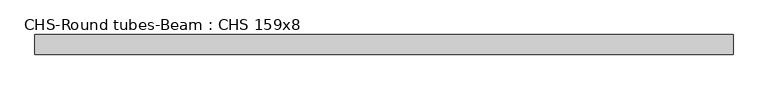
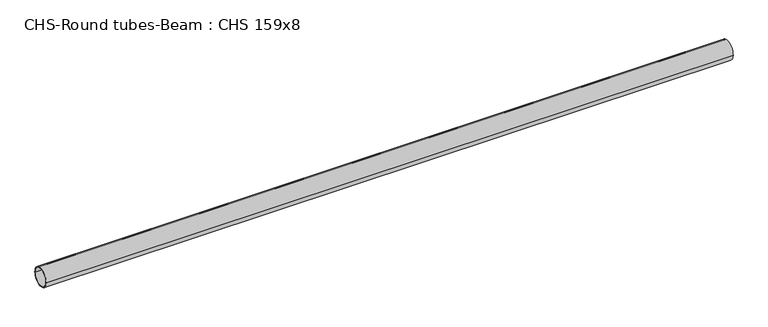
"""IFC4 building model written with IfcOpenShell, lengths in millimetres: beam geometry, CHS-Round tubes-Beam : CHS 159x8."""

from ifc_helpers import new_model, si_unit, point, frame, origin, origin_2d, place, context, project, spatial, circle_curve, trimmed, segment, composite_curve, outline, extrude, source, transform, mapped, element, save


def chs_round_tubes_beam_chs_159x8_5354c0a1(model_context):
    return source(origin(), model_context, "Body", "SweptSolid", [
        extrude(outline(composite_curve([segment(trimmed(circle_curve(origin_2d(), 79.5), [point((79.5, 0.0))], [point((-79.5, 0.0))], False, "CARTESIAN"), True, "CONTINUOUS"), segment(trimmed(circle_curve(origin_2d(), 79.5), [point((-79.5, 0.0))], [point((79.5, 0.0))], False, "CARTESIAN"), True, "CONTINUOUS")], self_intersect=False), holes=[composite_curve([segment(trimmed(circle_curve(origin_2d(), 71.5), [point((71.5, 0.0))], [point((-71.5, 0.0))], True, "CARTESIAN"), True, "CONTINUOUS"), segment(trimmed(circle_curve(origin_2d(), 71.5), [point((-71.5, 0.0))], [point((71.5, 0.0))], True, "CARTESIAN"), True, "CONTINUOUS")], self_intersect=False)]), frame((-2709.1811237, 0.0, 0.0), z_axis=(1.0, 0.0, 0.0), x_axis=(0.0, 1.0, 0.0)), (0.0, 0.0, 1.0), 5658.7617393),
    ])


if __name__ == "__main__":
    model = new_model("IFC4")
    model_context = context("Model", 3, world=origin())
    ifc_project = project(units=[si_unit("LENGTHUNIT", "METRE", prefix="MILLI")], contexts=[model_context])
    site = spatial("IfcSite", under=ifc_project)
    building = spatial("IfcBuilding", under=site)
    placement = place(None, origin())
    chs_round_tubes_beam_chs_159x8_shape = chs_round_tubes_beam_chs_159x8_5354c0a1(model_context)
    element("IfcBeam", 1, ObjectType="CHS-Round tubes-Beam : CHS 159x8", at=placement, inside=building, context=model_context, shape_type="MappedRepresentation", body=[
        mapped(chs_round_tubes_beam_chs_159x8_shape, transform((0.0, 0.0, 0.0), x_axis=(1.0, 0.0, 0.0), y_axis=(0.0, 1.0, 0.0), z_axis=(0.0, 0.0, 1.0))),
    ])
    save(model, "model.ifc")
